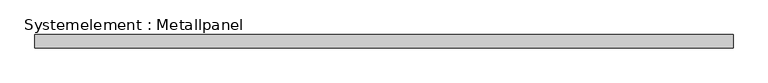
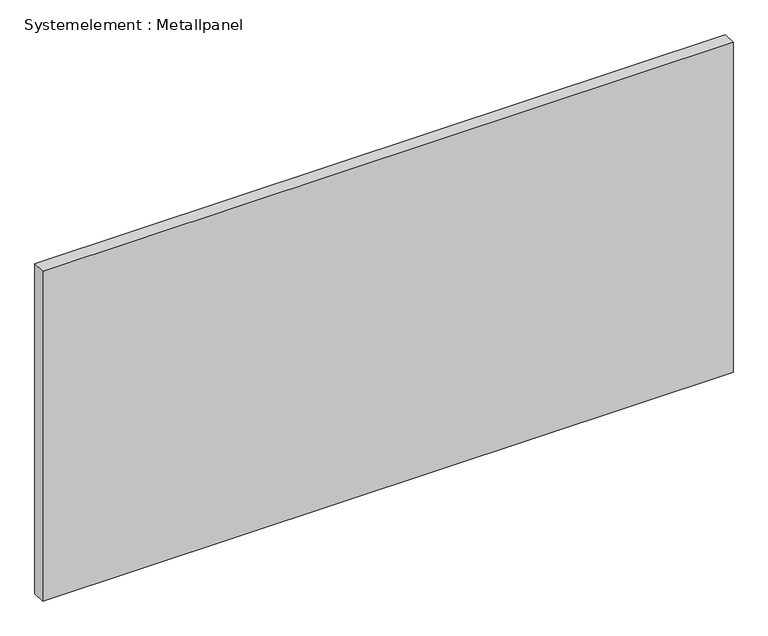
"""IFC4 building model written with IfcOpenShell, lengths in millimetres: plate geometry, Systemelement : Metallpanel."""

from ifc_helpers import new_model, si_unit, origin, origin_with_axes, place, context, project, spatial, polyline, outline, extrude, source, transform, mapped, element, save


def systemelement_metallpanel_ebbbd92b(model_context):
    return source(origin(), model_context, "Body", "SweptSolid", [
        extrude(outline(polyline([(787.0236297, -15.0), (-787.0236297, -15.0), (-787.0236297, 15.0), (787.0236297, 15.0), (787.0236297, -15.0)])), origin_with_axes(), (0.0, 0.0, 1.0), 795.0),
    ])


if __name__ == "__main__":
    model = new_model("IFC4")
    model_context = context("Model", 3, world=origin())
    ifc_project = project(units=[si_unit("LENGTHUNIT", "METRE", prefix="MILLI")], contexts=[model_context])
    site = spatial("IfcSite", under=ifc_project)
    building = spatial("IfcBuilding", under=site)
    placement = place(None, origin())
    systemelement_metallpanel_shape = systemelement_metallpanel_ebbbd92b(model_context)
    element("IfcPlate", 1, ObjectType="Systemelement : Metallpanel", at=placement, inside=building, context=model_context, shape_type="MappedRepresentation", body=[
        mapped(systemelement_metallpanel_shape, transform((0.0, 0.0, 0.0), x_axis=(1.0, 0.0, 0.0), y_axis=(0.0, 1.0, 0.0), z_axis=(0.0, 0.0, 1.0))),
    ])
    save(model, "model.ifc")
